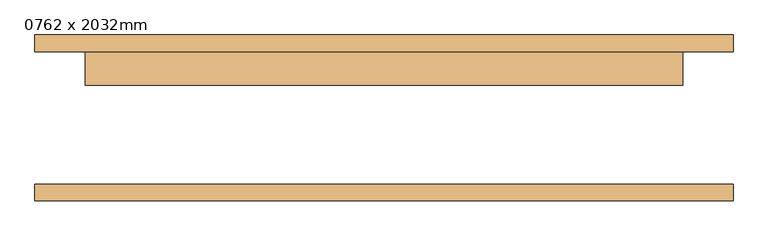
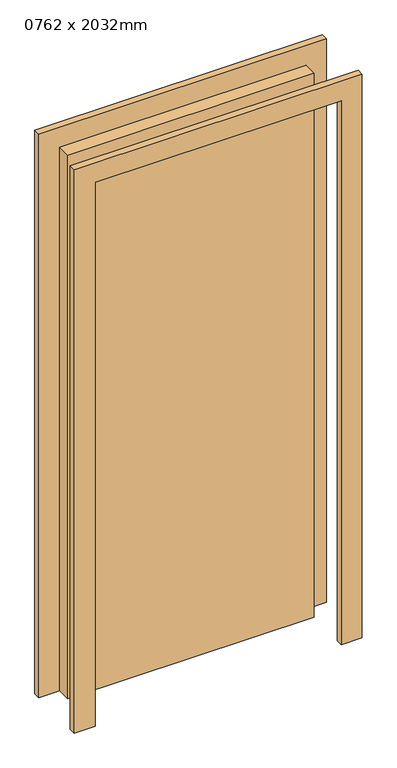
"""IFC4 building model written with IfcOpenShell, lengths in millimetres: door geometry, 0762 x 2032mm."""

import ifcopenshell
import ifcopenshell.guid

model = None  # the IFC model being written
_history = None  # IfcOwnerHistory: only IFC2X3 demands one
_inside = {}  # id of a spatial element -> (the spatial element, [elements in it])
_under = {}  # id of a project, library or spatial element -> (it, [spatial elements below it])
_declared = {}  # id of a project -> (the project, [libraries it declares])
_typed = {}  # id of a type object -> (the type object, [elements of that type])
_made_of = {}  # id of a material, layer set ... -> (it, [elements and type objects made of it])


def new_model(schema):
    """Start an empty IFC model of exactly this schema.

    Asked for "IFC4X3", IfcOpenShell would pick the latest addendum, in which some entities
    have other attributes; the version numbers below select the first issue.
    IFC2X3 requires an IfcOwnerHistory on every rooted entity: one is made here for all.
    """
    global model, _history
    if schema == "IFC4X3":
        model = ifcopenshell.file(schema_version=(4, 3, 0, 0))
    else:
        model = ifcopenshell.file(schema=schema)
    _inside.clear()
    _under.clear()
    _declared.clear()
    _typed.clear()
    _made_of.clear()
    _history = None
    if model.schema == "IFC2X3":
        org = make("IfcOrganization", Name="unknown")
        user = make(
            "IfcPersonAndOrganization",
            ThePerson=make("IfcPerson", FamilyName="unknown"),
            TheOrganization=org,
        )
        app = make(
            "IfcApplication",
            ApplicationDeveloper=org,
            Version="unknown",
            ApplicationFullName="unknown",
            ApplicationIdentifier="unknown",
        )
        _history = make(
            "IfcOwnerHistory",
            OwningUser=user,
            OwningApplication=app,
            ChangeAction="ADDED",
            CreationDate=0,
        )
    return model


def make(cls, **values):
    """One entity of the class cls with the attributes given. An attribute that is None is left unset."""
    return model.create_entity(
        cls, **{name: value for name, value in values.items() if value is not None}
    )


def rooted(cls, **values):
    """An entity with a GlobalId (a new one), such as an element, a storey or a relation."""
    return make(cls, GlobalId=ifcopenshell.guid.new(), OwnerHistory=_history, **values)


def si_unit(unit_type, name, prefix=None):
    """IfcSIUnit, for example si_unit("LENGTHUNIT", "METRE", prefix="MILLI")."""
    return make("IfcSIUnit", UnitType=unit_type, Prefix=prefix, Name=name)


def assignment(units):
    """IfcUnitAssignment: the units of a project."""
    return None if units is None else make("IfcUnitAssignment", Units=units)


def point(xyz):
    """IfcCartesianPoint."""
    return None if xyz is None else make("IfcCartesianPoint", Coordinates=xyz)


def direction(xyz):
    """IfcDirection."""
    return None if xyz is None else make("IfcDirection", DirectionRatios=xyz)


def frame(location, z_axis=None, x_axis=None):
    """IfcAxis2Placement3D, a coordinate frame: its origin and axes. An axis left out is left unset."""
    return make(
        "IfcAxis2Placement3D",
        Location=point(location),
        Axis=direction(z_axis),
        RefDirection=direction(x_axis),
    )


def origin():
    """The frame at (0, 0, 0) with its axes left unset."""
    return frame((0.0, 0.0, 0.0))


def origin_with_axes():
    """The frame at (0, 0, 0) with the z axis (0, 0, 1) and the x axis (1, 0, 0) written out."""
    return frame((0.0, 0.0, 0.0), z_axis=(0.0, 0.0, 1.0), x_axis=(1.0, 0.0, 0.0))


def place(relative_to, where):
    """IfcLocalPlacement: puts the frame where relative to a parent placement (None: the world)."""
    return make(
        "IfcLocalPlacement", PlacementRelTo=relative_to, RelativePlacement=where
    )


def context(
    kind, dimensions, precision=None, world=None, true_north=None, identifier=None
):
    """IfcGeometricRepresentationContext, for example the 3D "Model" context."""
    return make(
        "IfcGeometricRepresentationContext",
        ContextIdentifier=identifier,
        ContextType=kind,
        CoordinateSpaceDimension=dimensions,
        Precision=precision,
        WorldCoordinateSystem=world,
        TrueNorth=true_north,
    )


def project(units=None, contexts=None):
    """IfcProject with its units and contexts."""
    return rooted(
        "IfcProject",
        Name="project",
        RepresentationContexts=contexts,
        UnitsInContext=assignment(units),
    )


def spatial(cls, under=None, at=None, **own):
    """A site, building, storey or space (cls), placed at a placement, below another one or the project."""
    s = rooted(cls, ObjectPlacement=at, **own)
    if under is not None:
        _under.setdefault(under.id(), (under, []))[1].append(s)
    return s


def polyline(points):
    """IfcPolyline through the points."""
    return make("IfcPolyline", Points=[point(p) for p in points])


def outline(outer, holes=None, kind="AREA"):
    """IfcArbitraryClosedProfileDef: a profile drawn as a closed curve; with holes, ...WithVoids."""
    if holes is None:
        return make("IfcArbitraryClosedProfileDef", ProfileType=kind, OuterCurve=outer)
    return make(
        "IfcArbitraryProfileDefWithVoids",
        ProfileType=kind,
        OuterCurve=outer,
        InnerCurves=holes,
    )


def extrude(swept, where, along, depth):
    """IfcExtrudedAreaSolid: the profile swept, set in the frame where, extruded along a direction by depth."""
    return make(
        "IfcExtrudedAreaSolid",
        SweptArea=swept,
        Position=where,
        ExtrudedDirection=direction(along),
        Depth=depth,
    )


def shape(context_of_items, identifier, shape_type, items):
    """IfcShapeRepresentation: the items that make up one representation, for example the "Body"."""
    return make(
        "IfcShapeRepresentation",
        ContextOfItems=context_of_items,
        RepresentationIdentifier=identifier,
        RepresentationType=shape_type,
        Items=items,
    )


def source(mapping_origin, context_of_items, identifier, shape_type, items):
    """IfcRepresentationMap: a shape defined once, which mapped items show again and again."""
    return make(
        "IfcRepresentationMap",
        MappingOrigin=mapping_origin,
        MappedRepresentation=shape(context_of_items, identifier, shape_type, items),
    )


def transform(
    local_origin,
    x_axis=None,
    y_axis=None,
    z_axis=None,
    scale=None,
    scale2=None,
    scale3=None,
    uniform=True,
):
    """IfcCartesianTransformationOperator3D, or its non-uniform kind. x_axis, y_axis, z_axis: its Axis1, 2, 3."""
    if uniform:
        return make(
            "IfcCartesianTransformationOperator3D",
            Axis1=direction(x_axis),
            Axis2=direction(y_axis),
            LocalOrigin=point(local_origin),
            Scale=scale,
            Axis3=direction(z_axis),
        )
    return make(
        "IfcCartesianTransformationOperator3DnonUniform",
        Axis1=direction(x_axis),
        Axis2=direction(y_axis),
        LocalOrigin=point(local_origin),
        Scale=scale,
        Axis3=direction(z_axis),
        Scale2=scale2,
        Scale3=scale3,
    )


def mapped(mapping_source, mapping_target):
    """IfcMappedItem: shows the shape of a source again, moved by a transform."""
    return make(
        "IfcMappedItem", MappingSource=mapping_source, MappingTarget=mapping_target
    )


def made_of(thing, what):
    """Note that an element or type object is made of a material, layer set ...; save() writes the relation."""
    if what is not None:
        _made_of.setdefault(what.id(), (what, []))[1].append(thing)
    return thing


def element(
    cls,
    number,
    at=None,
    inside=None,
    cuts=None,
    type_object=None,
    material=None,
    context=None,
    identifier="Body",
    shape_type=None,
    held_by="IfcProductDefinitionShape",
    body=None,
    shapes=None,
    **own,
):
    """One element of the class cls, such as IfcWall. Its Tag is "e" and its number.

    at: its placement. inside: the storey or other place that contains it. cuts: it is an
    opening in that element (IfcRelVoidsElement). A single representation is given by context,
    identifier, shape_type and body (its items); several are given by shapes. held_by: the class
    of the entity that holds the representations. save() writes the other relations.
    """
    e = rooted(cls, Tag="e%d" % number, ObjectPlacement=at, **own)
    if body is not None:
        shapes = [shape(context, identifier, shape_type, body)]
    if shapes is not None:
        e.Representation = make(held_by, Representations=shapes)
    if inside is not None:
        _inside.setdefault(inside.id(), (inside, []))[1].append(e)
    if cuts is not None:
        rooted(
            "IfcRelVoidsElement", RelatingBuildingElement=cuts, RelatedOpeningElement=e
        )
    if type_object is not None:
        _typed.setdefault(type_object.id(), (type_object, []))[1].append(e)
    return made_of(e, material)


def aggregate(whole, parts):
    """IfcRelAggregates: a whole, such as a stair, and the parts it consists of."""
    return rooted("IfcRelAggregates", RelatingObject=whole, RelatedObjects=parts)


def save(model, path):
    """Write the relations noted so far, then the file.

    IfcRelAggregates (storeys below a building ...), IfcRelContainedInSpatialStructure (elements
    in a storey), IfcRelDefinesByType, IfcRelAssociatesMaterial and IfcRelDeclares: one each for
    every whole, place, type object, material and project.
    """
    for whole, parts in _under.values():
        aggregate(whole, parts)
    for where, things in _inside.values():
        rooted(
            "IfcRelContainedInSpatialStructure",
            RelatedElements=things,
            RelatingStructure=where,
        )
    for kind, things in _typed.values():
        rooted("IfcRelDefinesByType", RelatedObjects=things, RelatingType=kind)
    for what, things in _made_of.values():
        rooted("IfcRelAssociatesMaterial", RelatedObjects=things, RelatingMaterial=what)
    for by, libraries in _declared.values():
        rooted("IfcRelDeclares", RelatingContext=by, RelatedDefinitions=libraries)
    model.write(path)


def door_0762_x_2032mm_8cb0c558(model_context):
    return source(origin(), model_context, "Body", "SweptSolid", [
        extrude(outline(polyline([(2176.0, -526.0), (0.0, -526.0), (0.0, -450.0), (2100.0, -450.0), (2100.0, 450.0), (0.0, 450.0), (0.0, 526.0), (2176.0, 526.0), (2176.0, -526.0)])), frame((0.0, 100.0, 0.0), z_axis=(0.0, 1.0, 0.0), x_axis=(0.0, 0.0, 1.0)), (0.0, 0.0, 1.0), 25.0),
        extrude(outline(polyline([(2176.0, 526.0), (2176.0, -526.0), (0.0, -526.0), (0.0, -450.0), (2100.0, -450.0), (2100.0, 450.0), (0.0, 450.0), (0.0, 526.0), (2176.0, 526.0)])), frame((0.0, -125.0, 0.0), z_axis=(0.0, 1.0, 0.0), x_axis=(0.0, 0.0, 1.0)), (0.0, 0.0, 1.0), 25.0),
        extrude(outline(polyline([(450.0, 49.0), (-450.0, 49.0), (-450.0, 100.0), (450.0, 100.0), (450.0, 49.0)])), origin_with_axes(), (0.0, 0.0, 1.0), 2100.0),
    ])


if __name__ == "__main__":
    model = new_model("IFC4")
    model_context = context("Model", 3, world=origin())
    ifc_project = project(units=[si_unit("LENGTHUNIT", "METRE", prefix="MILLI")], contexts=[model_context])
    site = spatial("IfcSite", under=ifc_project)
    building = spatial("IfcBuilding", under=site)
    placement = place(None, origin())
    door_0762_x_2032mm_shape = door_0762_x_2032mm_8cb0c558(model_context)
    element("IfcDoor", 1, ObjectType="0762 x 2032mm", at=placement, inside=building, context=model_context, shape_type="MappedRepresentation", body=[
        mapped(door_0762_x_2032mm_shape, transform((0.0, 0.0, 0.0), x_axis=(1.0, 0.0, 0.0), y_axis=(0.0, 1.0, 0.0), z_axis=(0.0, 0.0, 1.0))),
    ])
    save(model, "model.ifc")
